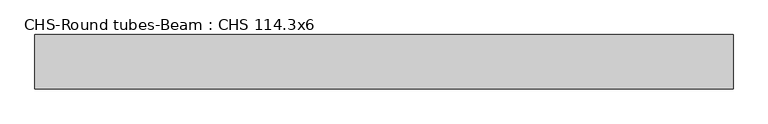
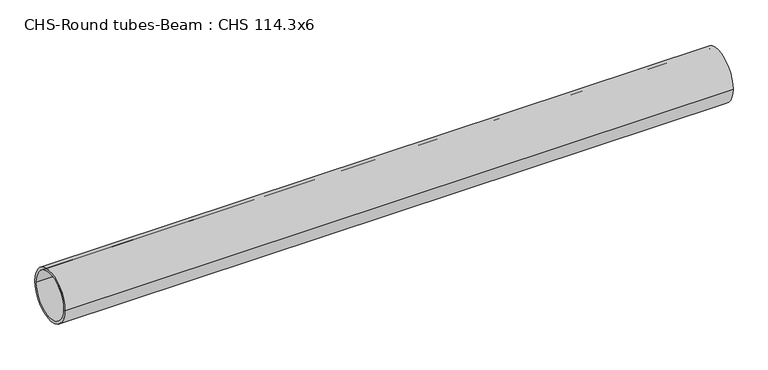
"""IFC4 building model written with IfcOpenShell, lengths in millimetres: beam geometry, CHS-Round tubes-Beam : CHS 114.3x6."""

from ifc_helpers import new_model, si_unit, point, frame, origin, origin_2d, place, context, project, spatial, circle_curve, trimmed, segment, composite_curve, outline, extrude, source, transform, mapped, element, save


def chs_round_tubes_beam_chs_114_3x6_d94f67b1(model_context):
    return source(origin(), model_context, "Body", "SweptSolid", [
        extrude(outline(composite_curve([segment(trimmed(circle_curve(origin_2d(), 57.15), [point((57.15, 0.0))], [point((-57.15, 0.0))], False, "CARTESIAN"), True, "CONTINUOUS"), segment(trimmed(circle_curve(origin_2d(), 57.15), [point((-57.15, 0.0))], [point((57.15, 0.0))], False, "CARTESIAN"), True, "CONTINUOUS")], self_intersect=False), holes=[composite_curve([segment(trimmed(circle_curve(origin_2d(), 51.15), [point((51.15, 0.0))], [point((-51.15, 0.0))], True, "CARTESIAN"), True, "CONTINUOUS"), segment(trimmed(circle_curve(origin_2d(), 51.15), [point((-51.15, 0.0))], [point((51.15, 0.0))], True, "CARTESIAN"), True, "CONTINUOUS")], self_intersect=False)]), frame((-756.3936505, 0.0, 0.0), z_axis=(1.0, 0.0, 0.0), x_axis=(0.0, 1.0, 0.0)), (0.0, 0.0, 1.0), 1471.7767569),
    ])


if __name__ == "__main__":
    model = new_model("IFC4")
    model_context = context("Model", 3, world=origin())
    ifc_project = project(units=[si_unit("LENGTHUNIT", "METRE", prefix="MILLI")], contexts=[model_context])
    site = spatial("IfcSite", under=ifc_project)
    building = spatial("IfcBuilding", under=site)
    placement = place(None, origin())
    chs_round_tubes_beam_chs_114_3x6_shape = chs_round_tubes_beam_chs_114_3x6_d94f67b1(model_context)
    element("IfcBeam", 1, ObjectType="CHS-Round tubes-Beam : CHS 114.3x6", at=placement, inside=building, context=model_context, shape_type="MappedRepresentation", body=[
        mapped(chs_round_tubes_beam_chs_114_3x6_shape, transform((0.0, 0.0, 0.0), x_axis=(1.0, 0.0, 0.0), y_axis=(0.0, 1.0, 0.0), z_axis=(0.0, 0.0, 1.0))),
    ])
    save(model, "model.ifc")
